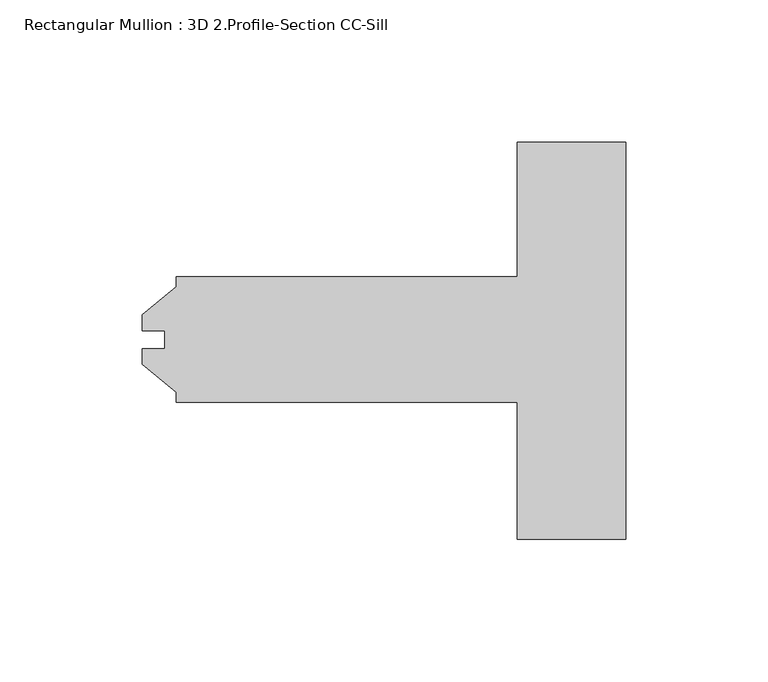
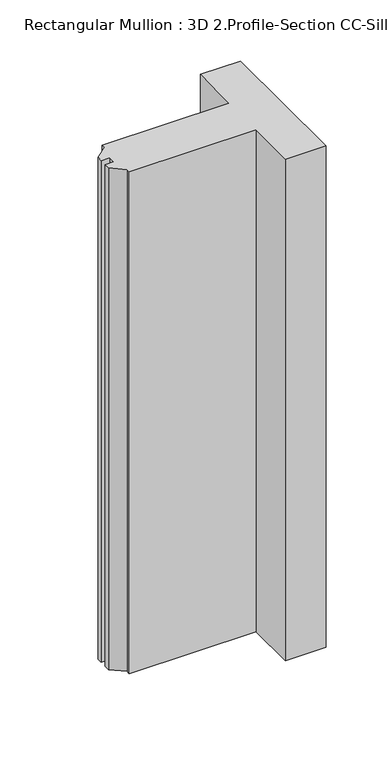
"""IFC4 building model written with IfcOpenShell, lengths in millimetres: member geometry, Rectangular Mullion : 3D 2.Profile-Section CC-Sill."""

from ifc_helpers import new_model, si_unit, frame, origin, place, context, project, spatial, polyline, outline, extrude, source, transform, mapped, element, save


def rectangular_mullion_3d_2_profile_section_cc_sill_e78c155c(model_context):
    return source(origin(), model_context, "Body", "SweptSolid", [
        extrude(outline(polyline([(-170.0647623, -3.2199168), (-162.1209123, -3.2199168), (-162.1209123, 3.1300832), (-170.0647623, 3.1300832), (-170.0647623, 8.7053832), (-158.1585123, 18.4739192), (-158.1585123, 22.0530832), (-38.1, 22.0530832), (-38.1, 69.3539062), (0.0, 69.3539062), (0.0, -70.3460937), (-38.1, -70.3460938), (-38.1, -22.1429168), (-158.1585123, -22.1429168), (-158.1585123, -18.5637528), (-170.0647623, -8.7952168), (-170.0647623, -3.2199168)])), frame((0.0, 0.0, -501.65635), z_axis=(0.0, 0.0, 1.0), x_axis=(1.0, 0.0, 0.0)), (0.0, 0.0, 1.0), 501.65635),
    ])


if __name__ == "__main__":
    model = new_model("IFC4")
    model_context = context("Model", 3, world=origin())
    ifc_project = project(units=[si_unit("LENGTHUNIT", "METRE", prefix="MILLI")], contexts=[model_context])
    site = spatial("IfcSite", under=ifc_project)
    building = spatial("IfcBuilding", under=site)
    placement = place(None, origin())
    rectangular_mullion_3d_2_profile_section_cc_sill_shape = rectangular_mullion_3d_2_profile_section_cc_sill_e78c155c(model_context)
    element("IfcMember", 1, ObjectType="Rectangular Mullion : 3D 2.Profile-Section CC-Sill", at=placement, inside=building, context=model_context, shape_type="MappedRepresentation", body=[
        mapped(rectangular_mullion_3d_2_profile_section_cc_sill_shape, transform((0.0, 0.0, 0.0), x_axis=(1.0, 0.0, 0.0), y_axis=(0.0, 1.0, 0.0), z_axis=(0.0, 0.0, 1.0))),
    ])
    save(model, "model.ifc")
